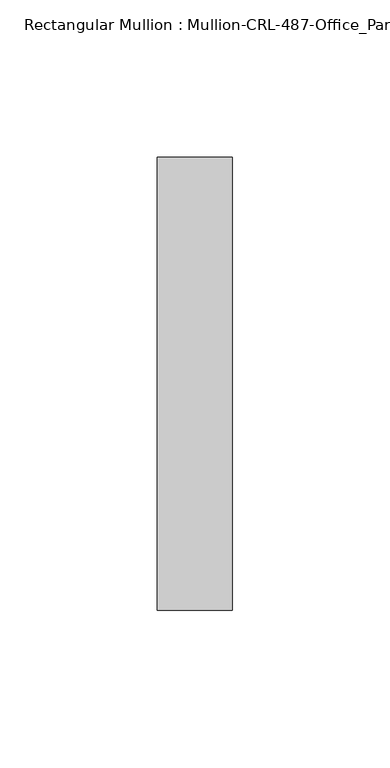
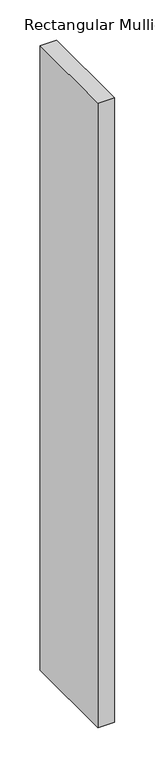
"""IFC4 building model written with IfcOpenShell, lengths in millimetres: member geometry, Rectangular Mullion : Mullion-CRL-487-Office_Partition-Cased."""

from ifc_helpers import new_model, si_unit, frame, origin, place, context, project, spatial, polyline, outline, extrude, source, transform, mapped, element, save


def rectangular_mullion_mullion_crl_487_office_partition_cased_1a595108(model_context):
    return source(origin(), model_context, "Body", "SweptSolid", [
        extrude(outline(polyline([(0.0, -71.9452143), (-23.7998, -71.9452143), (-23.7998, 71.9452142), (0.0, 71.9452142), (0.0, -71.9452143)])), frame((0.0, 0.0, -946.4377457), z_axis=(0.0, 0.0, 1.0), x_axis=(1.0, 0.0, 0.0)), (0.0, 0.0, 1.0), 946.4377457),
    ])


if __name__ == "__main__":
    model = new_model("IFC4")
    model_context = context("Model", 3, world=origin())
    ifc_project = project(units=[si_unit("LENGTHUNIT", "METRE", prefix="MILLI")], contexts=[model_context])
    site = spatial("IfcSite", under=ifc_project)
    building = spatial("IfcBuilding", under=site)
    placement = place(None, origin())
    rectangular_mullion_mullion_crl_487_office_partition_cased_shape = rectangular_mullion_mullion_crl_487_office_partition_cased_1a595108(model_context)
    element("IfcMember", 1, ObjectType="Rectangular Mullion : Mullion-CRL-487-Office_Partition-Cased", at=placement, inside=building, context=model_context, shape_type="MappedRepresentation", body=[
        mapped(rectangular_mullion_mullion_crl_487_office_partition_cased_shape, transform((0.0, 0.0, 0.0), x_axis=(1.0, 0.0, 0.0), y_axis=(0.0, 1.0, 0.0), z_axis=(0.0, 0.0, 1.0))),
    ])
    save(model, "model.ifc")
